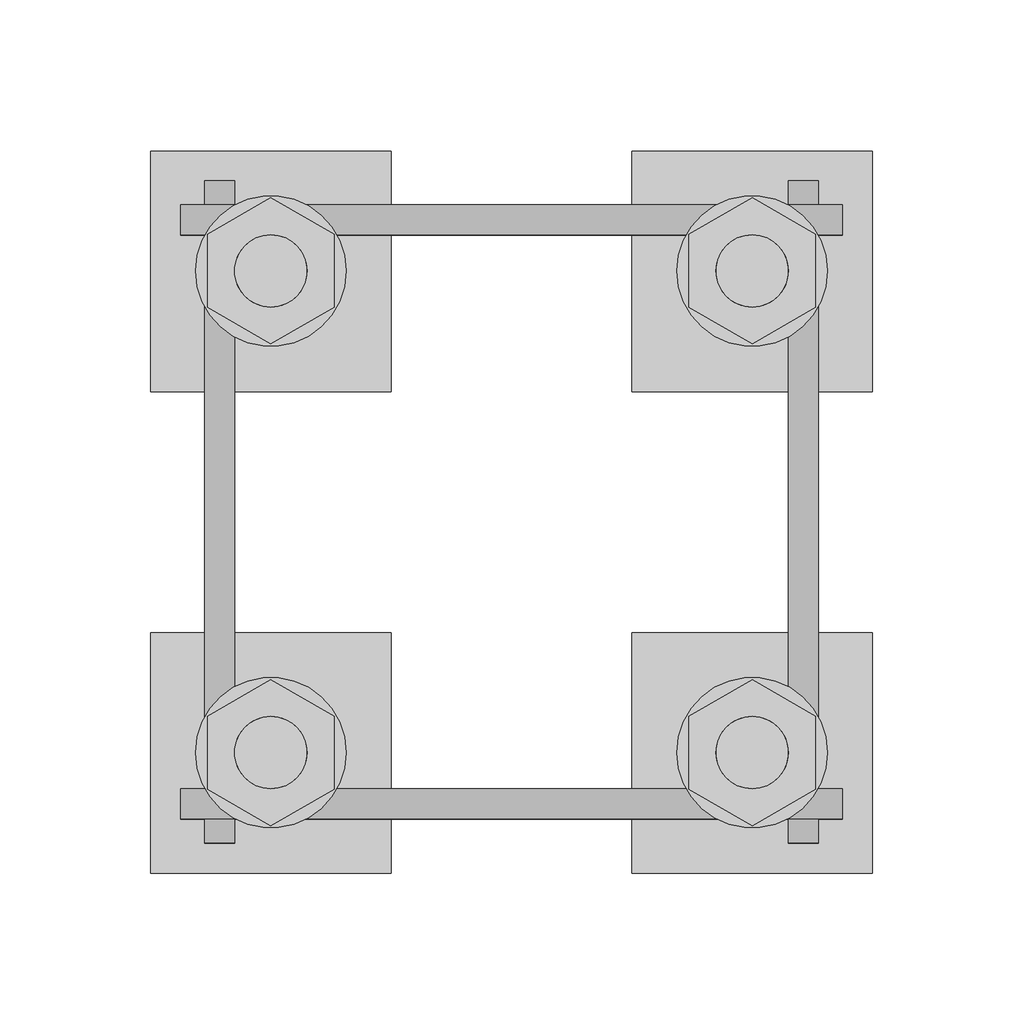
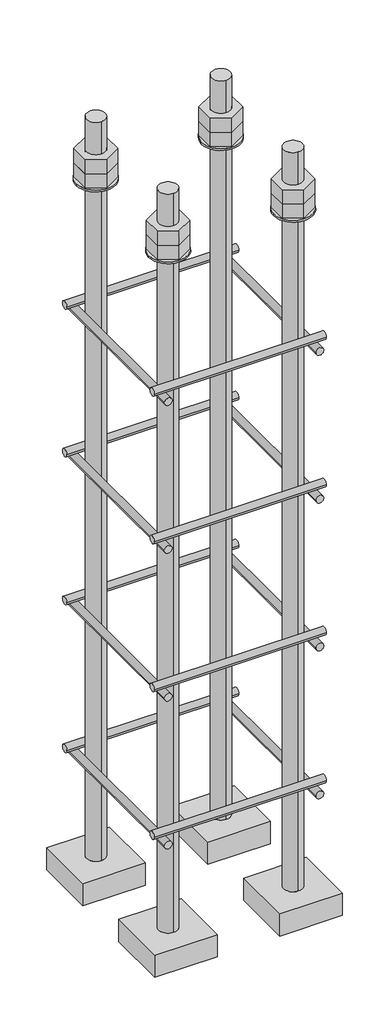
# One storey, part 19 of 66: 1 fastener.
"""IFC4 building model written with IfcOpenShell, lengths in millimetres."""

from ifc_helpers import new_model, si_unit, point, frame, frame_2d, origin, place, context, project, spatial, polyline, circle_curve, trimmed, segment, composite_curve, outline, extrude, element, save
from ifc_brep_helpers import plane_surface, cylinder_surface, advanced_brep

model = new_model("IFC4")

# Units and contexts
model_context = context("Model", 3, world=origin())
ifc_project = project(units=[si_unit("LENGTHUNIT", "METRE", prefix="MILLI")], contexts=[model_context])

# Site, building, storey
site = spatial("IfcSite", under=ifc_project)
building = spatial("IfcBuilding", under=site)
storey = spatial("IfcBuildingStorey", under=building, Elevation=9070.0)

# Fastener
placement = place(None, origin())
element("IfcFastener", 1, ObjectType="AU1 : AU-01", at=placement, inside=storey, context=model_context, shape_type="SolidModel", body=[
    extrude(outline(composite_curve([segment(trimmed(circle_curve(frame_2d((14703.0, 8795.0)), 5.0), [point((14698.0, 8795.0))], [point((14708.0, 8795.0))], False, "CARTESIAN"), True, "CONTINUOUS"), segment(trimmed(circle_curve(frame_2d((14703.0, 8795.0)), 5.0), [point((14708.0, 8795.0))], [point((14698.0, 8795.0))], False, "CARTESIAN"), True, "CONTINUOUS")], self_intersect=False)), frame((38740.0, 0.0, 0.0), z_axis=(1.0, 0.0, 0.0), x_axis=(0.0, 1.0, 0.0)), (0.0, 0.0, 1.0), 220.0),
    extrude(outline(composite_curve([segment(trimmed(circle_curve(frame_2d((14897.0, 8795.0)), 5.0), [point((14902.0, 8795.0))], [point((14892.0, 8795.0))], False, "CARTESIAN"), True, "CONTINUOUS"), segment(trimmed(circle_curve(frame_2d((14897.0, 8795.0)), 5.0), [point((14892.0, 8795.0))], [point((14902.0, 8795.0))], False, "CARTESIAN"), True, "CONTINUOUS")], self_intersect=False)), frame((38740.0, 0.0, 0.0), z_axis=(1.0, 0.0, 0.0), x_axis=(0.0, 1.0, 0.0)), (0.0, 0.0, 1.0), 220.0),
    extrude(outline(composite_curve([segment(trimmed(circle_curve(frame_2d((8785.0, 38753.0)), 5.0), [point((8785.0, 38748.0))], [point((8785.0, 38758.0))], False, "CARTESIAN"), True, "CONTINUOUS"), segment(trimmed(circle_curve(frame_2d((8785.0, 38753.0)), 5.0), [point((8785.0, 38758.0))], [point((8785.0, 38748.0))], False, "CARTESIAN"), True, "CONTINUOUS")], self_intersect=False)), frame((0.0, 14690.0, 0.0), z_axis=(0.0, 1.0, 0.0), x_axis=(0.0, 0.0, 1.0)), (0.0, 0.0, 1.0), 220.0),
    extrude(outline(composite_curve([segment(trimmed(circle_curve(frame_2d((8785.0, 38947.0)), 5.0), [point((8785.0, 38952.0))], [point((8785.0, 38942.0))], False, "CARTESIAN"), True, "CONTINUOUS"), segment(trimmed(circle_curve(frame_2d((8785.0, 38947.0)), 5.0), [point((8785.0, 38942.0))], [point((8785.0, 38952.0))], False, "CARTESIAN"), True, "CONTINUOUS")], self_intersect=False)), frame((0.0, 14690.0, 0.0), z_axis=(0.0, 1.0, 0.0), x_axis=(0.0, 0.0, 1.0)), (0.0, 0.0, 1.0), 220.0),
    extrude(outline(composite_curve([segment(trimmed(circle_curve(frame_2d((14703.0, 8995.0)), 5.0), [point((14698.0, 8995.0))], [point((14708.0, 8995.0))], False, "CARTESIAN"), True, "CONTINUOUS"), segment(trimmed(circle_curve(frame_2d((14703.0, 8995.0)), 5.0), [point((14708.0, 8995.0))], [point((14698.0, 8995.0))], False, "CARTESIAN"), True, "CONTINUOUS")], self_intersect=False)), frame((38740.0, 0.0, 0.0), z_axis=(1.0, 0.0, 0.0), x_axis=(0.0, 1.0, 0.0)), (0.0, 0.0, 1.0), 220.0),
    extrude(outline(composite_curve([segment(trimmed(circle_curve(frame_2d((14897.0, 8995.0)), 5.0), [point((14902.0, 8995.0))], [point((14892.0, 8995.0))], False, "CARTESIAN"), True, "CONTINUOUS"), segment(trimmed(circle_curve(frame_2d((14897.0, 8995.0)), 5.0), [point((14892.0, 8995.0))], [point((14902.0, 8995.0))], False, "CARTESIAN"), True, "CONTINUOUS")], self_intersect=False)), frame((38740.0, 0.0, 0.0), z_axis=(1.0, 0.0, 0.0), x_axis=(0.0, 1.0, 0.0)), (0.0, 0.0, 1.0), 220.0),
    extrude(outline(composite_curve([segment(trimmed(circle_curve(frame_2d((8985.0, 38753.0)), 5.0), [point((8985.0, 38748.0))], [point((8985.0, 38758.0))], False, "CARTESIAN"), True, "CONTINUOUS"), segment(trimmed(circle_curve(frame_2d((8985.0, 38753.0)), 5.0), [point((8985.0, 38758.0))], [point((8985.0, 38748.0))], False, "CARTESIAN"), True, "CONTINUOUS")], self_intersect=False)), frame((0.0, 14690.0, 0.0), z_axis=(0.0, 1.0, 0.0), x_axis=(0.0, 0.0, 1.0)), (0.0, 0.0, 1.0), 220.0),
    extrude(outline(composite_curve([segment(trimmed(circle_curve(frame_2d((8985.0, 38947.0)), 5.0), [point((8985.0, 38952.0))], [point((8985.0, 38942.0))], False, "CARTESIAN"), True, "CONTINUOUS"), segment(trimmed(circle_curve(frame_2d((8985.0, 38947.0)), 5.0), [point((8985.0, 38942.0))], [point((8985.0, 38952.0))], False, "CARTESIAN"), True, "CONTINUOUS")], self_intersect=False)), frame((0.0, 14690.0, 0.0), z_axis=(0.0, 1.0, 0.0), x_axis=(0.0, 0.0, 1.0)), (0.0, 0.0, 1.0), 220.0),
    extrude(outline(composite_curve([segment(trimmed(circle_curve(frame_2d((14703.0, 9195.0)), 5.0), [point((14698.0, 9195.0))], [point((14708.0, 9195.0))], False, "CARTESIAN"), True, "CONTINUOUS"), segment(trimmed(circle_curve(frame_2d((14703.0, 9195.0)), 5.0), [point((14708.0, 9195.0))], [point((14698.0, 9195.0))], False, "CARTESIAN"), True, "CONTINUOUS")], self_intersect=False)), frame((38740.0, 0.0, 0.0), z_axis=(1.0, 0.0, 0.0), x_axis=(0.0, 1.0, 0.0)), (0.0, 0.0, 1.0), 220.0),
    extrude(outline(composite_curve([segment(trimmed(circle_curve(frame_2d((14897.0, 9195.0)), 5.0), [point((14902.0, 9195.0))], [point((14892.0, 9195.0))], False, "CARTESIAN"), True, "CONTINUOUS"), segment(trimmed(circle_curve(frame_2d((14897.0, 9195.0)), 5.0), [point((14892.0, 9195.0))], [point((14902.0, 9195.0))], False, "CARTESIAN"), True, "CONTINUOUS")], self_intersect=False)), frame((38740.0, 0.0, 0.0), z_axis=(1.0, 0.0, 0.0), x_axis=(0.0, 1.0, 0.0)), (0.0, 0.0, 1.0), 220.0),
    extrude(outline(composite_curve([segment(trimmed(circle_curve(frame_2d((9185.0, 38753.0)), 5.0), [point((9185.0, 38748.0))], [point((9185.0, 38758.0))], False, "CARTESIAN"), True, "CONTINUOUS"), segment(trimmed(circle_curve(frame_2d((9185.0, 38753.0)), 5.0), [point((9185.0, 38758.0))], [point((9185.0, 38748.0))], False, "CARTESIAN"), True, "CONTINUOUS")], self_intersect=False)), frame((0.0, 14690.0, 0.0), z_axis=(0.0, 1.0, 0.0), x_axis=(0.0, 0.0, 1.0)), (0.0, 0.0, 1.0), 220.0),
    extrude(outline(composite_curve([segment(trimmed(circle_curve(frame_2d((9185.0, 38947.0)), 5.0), [point((9185.0, 38952.0))], [point((9185.0, 38942.0))], False, "CARTESIAN"), True, "CONTINUOUS"), segment(trimmed(circle_curve(frame_2d((9185.0, 38947.0)), 5.0), [point((9185.0, 38942.0))], [point((9185.0, 38952.0))], False, "CARTESIAN"), True, "CONTINUOUS")], self_intersect=False)), frame((0.0, 14690.0, 0.0), z_axis=(0.0, 1.0, 0.0), x_axis=(0.0, 0.0, 1.0)), (0.0, 0.0, 1.0), 220.0),
    extrude(outline(composite_curve([segment(trimmed(circle_curve(frame_2d((14703.0, 9395.0)), 5.0), [point((14698.0, 9395.0))], [point((14708.0, 9395.0))], False, "CARTESIAN"), True, "CONTINUOUS"), segment(trimmed(circle_curve(frame_2d((14703.0, 9395.0)), 5.0), [point((14708.0, 9395.0))], [point((14698.0, 9395.0))], False, "CARTESIAN"), True, "CONTINUOUS")], self_intersect=False)), frame((38740.0, 0.0, 0.0), z_axis=(1.0, 0.0, 0.0), x_axis=(0.0, 1.0, 0.0)), (0.0, 0.0, 1.0), 220.0),
    extrude(outline(composite_curve([segment(trimmed(circle_curve(frame_2d((14897.0, 9395.0)), 5.0), [point((14902.0, 9395.0))], [point((14892.0, 9395.0))], False, "CARTESIAN"), True, "CONTINUOUS"), segment(trimmed(circle_curve(frame_2d((14897.0, 9395.0)), 5.0), [point((14892.0, 9395.0))], [point((14902.0, 9395.0))], False, "CARTESIAN"), True, "CONTINUOUS")], self_intersect=False)), frame((38740.0, 0.0, 0.0), z_axis=(1.0, 0.0, 0.0), x_axis=(0.0, 1.0, 0.0)), (0.0, 0.0, 1.0), 220.0),
    extrude(outline(composite_curve([segment(trimmed(circle_curve(frame_2d((9385.0, 38753.0)), 5.0), [point((9385.0, 38748.0))], [point((9385.0, 38758.0))], False, "CARTESIAN"), True, "CONTINUOUS"), segment(trimmed(circle_curve(frame_2d((9385.0, 38753.0)), 5.0), [point((9385.0, 38758.0))], [point((9385.0, 38748.0))], False, "CARTESIAN"), True, "CONTINUOUS")], self_intersect=False)), frame((0.0, 14690.0, 0.0), z_axis=(0.0, 1.0, 0.0), x_axis=(0.0, 0.0, 1.0)), (0.0, 0.0, 1.0), 220.0),
    extrude(outline(composite_curve([segment(trimmed(circle_curve(frame_2d((9385.0, 38947.0)), 5.0), [point((9385.0, 38952.0))], [point((9385.0, 38942.0))], False, "CARTESIAN"), True, "CONTINUOUS"), segment(trimmed(circle_curve(frame_2d((9385.0, 38947.0)), 5.0), [point((9385.0, 38942.0))], [point((9385.0, 38952.0))], False, "CARTESIAN"), True, "CONTINUOUS")], self_intersect=False)), frame((0.0, 14690.0, 0.0), z_axis=(0.0, 1.0, 0.0), x_axis=(0.0, 0.0, 1.0)), (0.0, 0.0, 1.0), 220.0),
    advanced_brep(
    [(38810.0, 14920.0, 8650.0), (38730.0, 14920.0, 8650.0), (38730.0, 14840.0, 8650.0), (38810.0, 14840.0, 8650.0), (38770.0, 14868.0, 8650.0), (38770.0, 14892.0, 8650.0), (38810.0, 14920.0, 8620.0), (38810.0, 14840.0, 8620.0), (38730.0, 14840.0, 8620.0), (38730.0, 14920.0, 8620.0), (38770.0, 14892.0, 9650.0), (38770.0, 14868.0, 9650.0)],
    [
        (0, 1),
        (1, 2),
        (2, 3),
        (3, 0),
        (4, 5, circle_curve(frame((38770.0, 14880.0, 8650.0), z_axis=(0.0, 0.0, -1.0), x_axis=(0.0, -1.0, 0.0)), 12.0)),
        (5, 4, circle_curve(frame((38770.0, 14880.0, 8650.0), z_axis=(0.0, 0.0, -1.0), x_axis=(0.0, -1.0, 0.0)), 12.0)),
        (6, 7),
        (7, 8),
        (8, 9),
        (9, 6),
        (0, 6),
        (9, 1),
        (8, 2),
        (7, 3),
        (10, 11, circle_curve(frame((38770.0, 14880.0, 9650.0), z_axis=(0.0, 0.0, 1.0), x_axis=(0.0, -1.0, 0.0)), 12.0)),
        (11, 10, circle_curve(frame((38770.0, 14880.0, 9650.0), z_axis=(0.0, 0.0, 1.0), x_axis=(0.0, -1.0, 0.0)), 12.0)),
        (10, 5),
        (4, 11),
    ],
    [
        plane_surface(frame((38730.0, 14920.0, 8650.0), z_axis=(0.0, 0.0, 1.0), x_axis=(-1.0, 0.0, 0.0))),
        plane_surface(frame((38730.0, 14920.0, 8620.0), z_axis=(0.0, 0.0, -1.0), x_axis=(1.0, 0.0, 0.0))),
        plane_surface(frame((38810.0, 14920.0, 8650.0), z_axis=(0.0, 1.0, 0.0), x_axis=(0.0, 0.0, -1.0))),
        plane_surface(frame((38730.0, 14920.0, 8650.0), z_axis=(-1.0, 0.0, 0.0), x_axis=(0.0, 0.0, -1.0))),
        plane_surface(frame((38730.0, 14840.0, 8650.0), z_axis=(0.0, -1.0, 0.0), x_axis=(0.0, 0.0, -1.0))),
        plane_surface(frame((38810.0, 14840.0, 8650.0), z_axis=(1.0, 0.0, 0.0), x_axis=(0.0, 0.0, -1.0))),
        plane_surface(frame((38770.0, 14880.0, 9650.0), z_axis=(0.0, 0.0, 1.0), x_axis=(0.0, -1.0, 0.0))),
        cylinder_surface(frame((38770.0, 14880.0, 9650.0), z_axis=(0.0, 0.0, 1.0), x_axis=(0.0, -1.0, 0.0)), 12.0),
    ],
    [
        (0, [[1, 2, 3, 4], [5, 6]]),
        (1, [[7, 8, 9, 10]]),
        (2, [[-1, 11, -10, 12]]),
        (3, [[-2, -12, -9, 13]]),
        (4, [[-3, -13, -8, 14]]),
        (5, [[-4, -14, -7, -11]]),
        (6, [[15, 16]]),
        (7, [[-15, 17, -5, 18]]),
        (7, [[-16, -18, -6, -17]]),
    ],
),
    extrude(outline(composite_curve([segment(trimmed(circle_curve(frame_2d((38770.0, 14880.0)), 25.0), [point((38795.0, 14880.0))], [point((38745.0, 14880.0))], False, "CARTESIAN"), True, "CONTINUOUS"), segment(trimmed(circle_curve(frame_2d((38770.0, 14880.0)), 25.0), [point((38745.0, 14880.0))], [point((38795.0, 14880.0))], False, "CARTESIAN"), True, "CONTINUOUS")], self_intersect=False), holes=[composite_curve([segment(trimmed(circle_curve(frame_2d((38770.0, 14880.0)), 12.0), [point((38782.0, 14880.0))], [point((38758.0, 14880.0))], True, "CARTESIAN"), True, "CONTINUOUS"), segment(trimmed(circle_curve(frame_2d((38770.0, 14880.0)), 12.0), [point((38758.0, 14880.0))], [point((38782.0, 14880.0))], True, "CARTESIAN"), True, "CONTINUOUS")], self_intersect=False)]), frame((0.0, 0.0, 9565.0), z_axis=(0.0, 0.0, 1.0), x_axis=(1.0, 0.0, 0.0)), (0.0, 0.0, 1.0), 2.5),
    extrude(outline(polyline([(38770.0, 14904.2487113), (38791.0, 14892.1243557), (38791.0, 14867.8756443), (38770.0, 14855.7512887), (38749.0, 14867.8756443), (38749.0, 14892.1243557), (38770.0, 14904.2487113)]), holes=[composite_curve([segment(trimmed(circle_curve(frame_2d((38770.0, 14880.0)), 12.0), [point((38782.0, 14880.0))], [point((38758.0, 14880.0))], True, "CARTESIAN"), True, "CONTINUOUS"), segment(trimmed(circle_curve(frame_2d((38770.0, 14880.0)), 12.0), [point((38758.0, 14880.0))], [point((38782.0, 14880.0))], True, "CARTESIAN"), True, "CONTINUOUS")], self_intersect=False)]), frame((0.0, 0.0, 9587.0), z_axis=(0.0, 0.0, 1.0), x_axis=(1.0, 0.0, 0.0)), (0.0, 0.0, 1.0), 19.5),
    extrude(outline(polyline([(38770.0, 14904.2487113), (38791.0, 14892.1243557), (38791.0, 14867.8756443), (38770.0, 14855.7512887), (38749.0, 14867.8756443), (38749.0, 14892.1243557), (38770.0, 14904.2487113)]), holes=[composite_curve([segment(trimmed(circle_curve(frame_2d((38770.0, 14880.0)), 12.0), [point((38782.0, 14880.0))], [point((38758.0, 14880.0))], True, "CARTESIAN"), True, "CONTINUOUS"), segment(trimmed(circle_curve(frame_2d((38770.0, 14880.0)), 12.0), [point((38758.0, 14880.0))], [point((38782.0, 14880.0))], True, "CARTESIAN"), True, "CONTINUOUS")], self_intersect=False)]), frame((0.0, 0.0, 9567.5), z_axis=(0.0, 0.0, 1.0), x_axis=(1.0, 0.0, 0.0)), (0.0, 0.0, 1.0), 19.5),
    advanced_brep(
    [(38890.0, 14840.0, 8650.0), (38970.0, 14840.0, 8650.0), (38970.0, 14920.0, 8650.0), (38890.0, 14920.0, 8650.0), (38930.0, 14892.0, 8650.0), (38930.0, 14868.0, 8650.0), (38890.0, 14840.0, 8620.0), (38890.0, 14920.0, 8620.0), (38970.0, 14920.0, 8620.0), (38970.0, 14840.0, 8620.0), (38930.0, 14868.0, 9650.0), (38930.0, 14892.0, 9650.0)],
    [
        (0, 1),
        (1, 2),
        (2, 3),
        (3, 0),
        (4, 5, circle_curve(frame((38930.0, 14880.0, 8650.0), z_axis=(0.0, 0.0, -1.0), x_axis=(0.0, 1.0, 0.0)), 12.0)),
        (5, 4, circle_curve(frame((38930.0, 14880.0, 8650.0), z_axis=(0.0, 0.0, -1.0), x_axis=(0.0, 1.0, 0.0)), 12.0)),
        (6, 7),
        (7, 8),
        (8, 9),
        (9, 6),
        (0, 6),
        (9, 1),
        (8, 2),
        (7, 3),
        (10, 11, circle_curve(frame((38930.0, 14880.0, 9650.0), z_axis=(0.0, 0.0, 1.0), x_axis=(0.0, 1.0, 0.0)), 12.0)),
        (11, 10, circle_curve(frame((38930.0, 14880.0, 9650.0), z_axis=(0.0, 0.0, 1.0), x_axis=(0.0, 1.0, 0.0)), 12.0)),
        (10, 5),
        (4, 11),
    ],
    [
        plane_surface(frame((38970.0, 14840.0, 8650.0), z_axis=(0.0, 0.0, 1.0), x_axis=(1.0, 0.0, 0.0))),
        plane_surface(frame((38970.0, 14840.0, 8620.0), z_axis=(0.0, 0.0, -1.0), x_axis=(-1.0, 0.0, 0.0))),
        plane_surface(frame((38890.0, 14840.0, 8650.0), z_axis=(0.0, -1.0, 0.0), x_axis=(0.0, 0.0, -1.0))),
        plane_surface(frame((38970.0, 14840.0, 8650.0), z_axis=(1.0, 0.0, 0.0), x_axis=(0.0, 0.0, -1.0))),
        plane_surface(frame((38970.0, 14920.0, 8650.0), z_axis=(0.0, 1.0, 0.0), x_axis=(0.0, 0.0, -1.0))),
        plane_surface(frame((38890.0, 14920.0, 8650.0), z_axis=(-1.0, 0.0, 0.0), x_axis=(0.0, 0.0, -1.0))),
        plane_surface(frame((38930.0, 14880.0, 9650.0), z_axis=(0.0, 0.0, 1.0), x_axis=(0.0, 1.0, 0.0))),
        cylinder_surface(frame((38930.0, 14880.0, 9650.0), z_axis=(0.0, 0.0, 1.0), x_axis=(0.0, 1.0, 0.0)), 12.0),
    ],
    [
        (0, [[1, 2, 3, 4], [5, 6]]),
        (1, [[7, 8, 9, 10]]),
        (2, [[-1, 11, -10, 12]]),
        (3, [[-2, -12, -9, 13]]),
        (4, [[-3, -13, -8, 14]]),
        (5, [[-4, -14, -7, -11]]),
        (6, [[15, 16]]),
        (7, [[-15, 17, -5, 18]]),
        (7, [[-16, -18, -6, -17]]),
    ],
),
    extrude(outline(composite_curve([segment(trimmed(circle_curve(frame_2d((38930.0, 14880.0)), 25.0), [point((38905.0, 14880.0))], [point((38955.0, 14880.0))], False, "CARTESIAN"), True, "CONTINUOUS"), segment(trimmed(circle_curve(frame_2d((38930.0, 14880.0)), 25.0), [point((38955.0, 14880.0))], [point((38905.0, 14880.0))], False, "CARTESIAN"), True, "CONTINUOUS")], self_intersect=False), holes=[composite_curve([segment(trimmed(circle_curve(frame_2d((38930.0, 14880.0)), 12.0), [point((38918.0, 14880.0))], [point((38942.0, 14880.0))], True, "CARTESIAN"), True, "CONTINUOUS"), segment(trimmed(circle_curve(frame_2d((38930.0, 14880.0)), 12.0), [point((38942.0, 14880.0))], [point((38918.0, 14880.0))], True, "CARTESIAN"), True, "CONTINUOUS")], self_intersect=False)]), frame((0.0, 0.0, 9565.0), z_axis=(0.0, 0.0, 1.0), x_axis=(1.0, 0.0, 0.0)), (0.0, 0.0, 1.0), 2.5),
    extrude(outline(polyline([(38930.0, 14855.7512887), (38909.0, 14867.8756443), (38909.0, 14892.1243557), (38930.0, 14904.2487113), (38951.0, 14892.1243557), (38951.0, 14867.8756443), (38930.0, 14855.7512887)]), holes=[composite_curve([segment(trimmed(circle_curve(frame_2d((38930.0, 14880.0)), 12.0), [point((38918.0, 14880.0))], [point((38942.0, 14880.0))], True, "CARTESIAN"), True, "CONTINUOUS"), segment(trimmed(circle_curve(frame_2d((38930.0, 14880.0)), 12.0), [point((38942.0, 14880.0))], [point((38918.0, 14880.0))], True, "CARTESIAN"), True, "CONTINUOUS")], self_intersect=False)]), frame((0.0, 0.0, 9587.0), z_axis=(0.0, 0.0, 1.0), x_axis=(1.0, 0.0, 0.0)), (0.0, 0.0, 1.0), 19.5),
    extrude(outline(polyline([(38930.0, 14855.7512887), (38909.0, 14867.8756443), (38909.0, 14892.1243557), (38930.0, 14904.2487113), (38951.0, 14892.1243557), (38951.0, 14867.8756443), (38930.0, 14855.7512887)]), holes=[composite_curve([segment(trimmed(circle_curve(frame_2d((38930.0, 14880.0)), 12.0), [point((38918.0, 14880.0))], [point((38942.0, 14880.0))], True, "CARTESIAN"), True, "CONTINUOUS"), segment(trimmed(circle_curve(frame_2d((38930.0, 14880.0)), 12.0), [point((38942.0, 14880.0))], [point((38918.0, 14880.0))], True, "CARTESIAN"), True, "CONTINUOUS")], self_intersect=False)]), frame((0.0, 0.0, 9567.5), z_axis=(0.0, 0.0, 1.0), x_axis=(1.0, 0.0, 0.0)), (0.0, 0.0, 1.0), 19.5),
    advanced_brep(
    [(38890.0, 14680.0, 8650.0), (38970.0, 14680.0, 8650.0), (38970.0, 14760.0, 8650.0), (38890.0, 14760.0, 8650.0), (38930.0, 14732.0, 8650.0), (38930.0, 14708.0, 8650.0), (38890.0, 14680.0, 8620.0), (38890.0, 14760.0, 8620.0), (38970.0, 14760.0, 8620.0), (38970.0, 14680.0, 8620.0), (38930.0, 14708.0, 9650.0), (38930.0, 14732.0, 9650.0)],
    [
        (0, 1),
        (1, 2),
        (2, 3),
        (3, 0),
        (4, 5, circle_curve(frame((38930.0, 14720.0, 8650.0), z_axis=(0.0, 0.0, -1.0), x_axis=(0.0, 1.0, 0.0)), 12.0)),
        (5, 4, circle_curve(frame((38930.0, 14720.0, 8650.0), z_axis=(0.0, 0.0, -1.0), x_axis=(0.0, 1.0, 0.0)), 12.0)),
        (6, 7),
        (7, 8),
        (8, 9),
        (9, 6),
        (0, 6),
        (9, 1),
        (8, 2),
        (7, 3),
        (10, 11, circle_curve(frame((38930.0, 14720.0, 9650.0), z_axis=(0.0, 0.0, 1.0), x_axis=(0.0, 1.0, 0.0)), 12.0)),
        (11, 10, circle_curve(frame((38930.0, 14720.0, 9650.0), z_axis=(0.0, 0.0, 1.0), x_axis=(0.0, 1.0, 0.0)), 12.0)),
        (10, 5),
        (4, 11),
    ],
    [
        plane_surface(frame((38970.0, 14680.0, 8650.0), z_axis=(0.0, 0.0, 1.0), x_axis=(1.0, 0.0, 0.0))),
        plane_surface(frame((38970.0, 14680.0, 8620.0), z_axis=(0.0, 0.0, -1.0), x_axis=(-1.0, 0.0, 0.0))),
        plane_surface(frame((38890.0, 14680.0, 8650.0), z_axis=(0.0, -1.0, 0.0), x_axis=(0.0, 0.0, -1.0))),
        plane_surface(frame((38970.0, 14680.0, 8650.0), z_axis=(1.0, 0.0, 0.0), x_axis=(0.0, 0.0, -1.0))),
        plane_surface(frame((38970.0, 14760.0, 8650.0), z_axis=(0.0, 1.0, 0.0), x_axis=(0.0, 0.0, -1.0))),
        plane_surface(frame((38890.0, 14760.0, 8650.0), z_axis=(-1.0, 0.0, 0.0), x_axis=(0.0, 0.0, -1.0))),
        plane_surface(frame((38930.0, 14720.0, 9650.0), z_axis=(0.0, 0.0, 1.0), x_axis=(0.0, 1.0, 0.0))),
        cylinder_surface(frame((38930.0, 14720.0, 9650.0), z_axis=(0.0, 0.0, 1.0), x_axis=(0.0, 1.0, 0.0)), 12.0),
    ],
    [
        (0, [[1, 2, 3, 4], [5, 6]]),
        (1, [[7, 8, 9, 10]]),
        (2, [[-1, 11, -10, 12]]),
        (3, [[-2, -12, -9, 13]]),
        (4, [[-3, -13, -8, 14]]),
        (5, [[-4, -14, -7, -11]]),
        (6, [[15, 16]]),
        (7, [[-15, 17, -5, 18]]),
        (7, [[-16, -18, -6, -17]]),
    ],
),
    extrude(outline(composite_curve([segment(trimmed(circle_curve(frame_2d((38930.0, 14720.0)), 25.0), [point((38905.0, 14720.0))], [point((38955.0, 14720.0))], False, "CARTESIAN"), True, "CONTINUOUS"), segment(trimmed(circle_curve(frame_2d((38930.0, 14720.0)), 25.0), [point((38955.0, 14720.0))], [point((38905.0, 14720.0))], False, "CARTESIAN"), True, "CONTINUOUS")], self_intersect=False), holes=[composite_curve([segment(trimmed(circle_curve(frame_2d((38930.0, 14720.0)), 12.0), [point((38918.0, 14720.0))], [point((38942.0, 14720.0))], True, "CARTESIAN"), True, "CONTINUOUS"), segment(trimmed(circle_curve(frame_2d((38930.0, 14720.0)), 12.0), [point((38942.0, 14720.0))], [point((38918.0, 14720.0))], True, "CARTESIAN"), True, "CONTINUOUS")], self_intersect=False)]), frame((0.0, 0.0, 9565.0), z_axis=(0.0, 0.0, 1.0), x_axis=(1.0, 0.0, 0.0)), (0.0, 0.0, 1.0), 2.5),
    extrude(outline(polyline([(38930.0, 14695.7512887), (38909.0, 14707.8756443), (38909.0, 14732.1243557), (38930.0, 14744.2487113), (38951.0, 14732.1243557), (38951.0, 14707.8756443), (38930.0, 14695.7512887)]), holes=[composite_curve([segment(trimmed(circle_curve(frame_2d((38930.0, 14720.0)), 12.0), [point((38918.0, 14720.0))], [point((38942.0, 14720.0))], True, "CARTESIAN"), True, "CONTINUOUS"), segment(trimmed(circle_curve(frame_2d((38930.0, 14720.0)), 12.0), [point((38942.0, 14720.0))], [point((38918.0, 14720.0))], True, "CARTESIAN"), True, "CONTINUOUS")], self_intersect=False)]), frame((0.0, 0.0, 9587.0), z_axis=(0.0, 0.0, 1.0), x_axis=(1.0, 0.0, 0.0)), (0.0, 0.0, 1.0), 19.5),
    extrude(outline(polyline([(38930.0, 14695.7512887), (38909.0, 14707.8756443), (38909.0, 14732.1243557), (38930.0, 14744.2487113), (38951.0, 14732.1243557), (38951.0, 14707.8756443), (38930.0, 14695.7512887)]), holes=[composite_curve([segment(trimmed(circle_curve(frame_2d((38930.0, 14720.0)), 12.0), [point((38918.0, 14720.0))], [point((38942.0, 14720.0))], True, "CARTESIAN"), True, "CONTINUOUS"), segment(trimmed(circle_curve(frame_2d((38930.0, 14720.0)), 12.0), [point((38942.0, 14720.0))], [point((38918.0, 14720.0))], True, "CARTESIAN"), True, "CONTINUOUS")], self_intersect=False)]), frame((0.0, 0.0, 9567.5), z_axis=(0.0, 0.0, 1.0), x_axis=(1.0, 0.0, 0.0)), (0.0, 0.0, 1.0), 19.5),
    advanced_brep(
    [(38810.0, 14760.0, 8650.0), (38730.0, 14760.0, 8650.0), (38730.0, 14680.0, 8650.0), (38810.0, 14680.0, 8650.0), (38770.0, 14708.0, 8650.0), (38770.0, 14732.0, 8650.0), (38810.0, 14760.0, 8620.0), (38810.0, 14680.0, 8620.0), (38730.0, 14680.0, 8620.0), (38730.0, 14760.0, 8620.0), (38770.0, 14732.0, 9650.0), (38770.0, 14708.0, 9650.0)],
    [
        (0, 1),
        (1, 2),
        (2, 3),
        (3, 0),
        (4, 5, circle_curve(frame((38770.0, 14720.0, 8650.0), z_axis=(0.0, 0.0, -1.0), x_axis=(0.0, -1.0, 0.0)), 12.0)),
        (5, 4, circle_curve(frame((38770.0, 14720.0, 8650.0), z_axis=(0.0, 0.0, -1.0), x_axis=(0.0, -1.0, 0.0)), 12.0)),
        (6, 7),
        (7, 8),
        (8, 9),
        (9, 6),
        (0, 6),
        (9, 1),
        (8, 2),
        (7, 3),
        (10, 11, circle_curve(frame((38770.0, 14720.0, 9650.0), z_axis=(0.0, 0.0, 1.0), x_axis=(0.0, -1.0, 0.0)), 12.0)),
        (11, 10, circle_curve(frame((38770.0, 14720.0, 9650.0), z_axis=(0.0, 0.0, 1.0), x_axis=(0.0, -1.0, 0.0)), 12.0)),
        (10, 5),
        (4, 11),
    ],
    [
        plane_surface(frame((38730.0, 14760.0, 8650.0), z_axis=(0.0, 0.0, 1.0), x_axis=(-1.0, 0.0, 0.0))),
        plane_surface(frame((38730.0, 14760.0, 8620.0), z_axis=(0.0, 0.0, -1.0), x_axis=(1.0, 0.0, 0.0))),
        plane_surface(frame((38810.0, 14760.0, 8650.0), z_axis=(0.0, 1.0, 0.0), x_axis=(0.0, 0.0, -1.0))),
        plane_surface(frame((38730.0, 14760.0, 8650.0), z_axis=(-1.0, 0.0, 0.0), x_axis=(0.0, 0.0, -1.0))),
        plane_surface(frame((38730.0, 14680.0, 8650.0), z_axis=(0.0, -1.0, 0.0), x_axis=(0.0, 0.0, -1.0))),
        plane_surface(frame((38810.0, 14680.0, 8650.0), z_axis=(1.0, 0.0, 0.0), x_axis=(0.0, 0.0, -1.0))),
        plane_surface(frame((38770.0, 14720.0, 9650.0), z_axis=(0.0, 0.0, 1.0), x_axis=(0.0, -1.0, 0.0))),
        cylinder_surface(frame((38770.0, 14720.0, 9650.0), z_axis=(0.0, 0.0, 1.0), x_axis=(0.0, -1.0, 0.0)), 12.0),
    ],
    [
        (0, [[1, 2, 3, 4], [5, 6]]),
        (1, [[7, 8, 9, 10]]),
        (2, [[-1, 11, -10, 12]]),
        (3, [[-2, -12, -9, 13]]),
        (4, [[-3, -13, -8, 14]]),
        (5, [[-4, -14, -7, -11]]),
        (6, [[15, 16]]),
        (7, [[-15, 17, -5, 18]]),
        (7, [[-16, -18, -6, -17]]),
    ],
),
    extrude(outline(composite_curve([segment(trimmed(circle_curve(frame_2d((38770.0, 14720.0)), 25.0), [point((38795.0, 14720.0))], [point((38745.0, 14720.0))], False, "CARTESIAN"), True, "CONTINUOUS"), segment(trimmed(circle_curve(frame_2d((38770.0, 14720.0)), 25.0), [point((38745.0, 14720.0))], [point((38795.0, 14720.0))], False, "CARTESIAN"), True, "CONTINUOUS")], self_intersect=False), holes=[composite_curve([segment(trimmed(circle_curve(frame_2d((38770.0, 14720.0)), 12.0), [point((38782.0, 14720.0))], [point((38758.0, 14720.0))], True, "CARTESIAN"), True, "CONTINUOUS"), segment(trimmed(circle_curve(frame_2d((38770.0, 14720.0)), 12.0), [point((38758.0, 14720.0))], [point((38782.0, 14720.0))], True, "CARTESIAN"), True, "CONTINUOUS")], self_intersect=False)]), frame((0.0, 0.0, 9565.0), z_axis=(0.0, 0.0, 1.0), x_axis=(1.0, 0.0, 0.0)), (0.0, 0.0, 1.0), 2.5),
    extrude(outline(polyline([(38770.0, 14744.2487113), (38791.0, 14732.1243557), (38791.0, 14707.8756443), (38770.0, 14695.7512887), (38749.0, 14707.8756443), (38749.0, 14732.1243557), (38770.0, 14744.2487113)]), holes=[composite_curve([segment(trimmed(circle_curve(frame_2d((38770.0, 14720.0)), 12.0), [point((38782.0, 14720.0))], [point((38758.0, 14720.0))], True, "CARTESIAN"), True, "CONTINUOUS"), segment(trimmed(circle_curve(frame_2d((38770.0, 14720.0)), 12.0), [point((38758.0, 14720.0))], [point((38782.0, 14720.0))], True, "CARTESIAN"), True, "CONTINUOUS")], self_intersect=False)]), frame((0.0, 0.0, 9587.0), z_axis=(0.0, 0.0, 1.0), x_axis=(1.0, 0.0, 0.0)), (0.0, 0.0, 1.0), 19.5),
    extrude(outline(polyline([(38770.0, 14744.2487113), (38791.0, 14732.1243557), (38791.0, 14707.8756443), (38770.0, 14695.7512887), (38749.0, 14707.8756443), (38749.0, 14732.1243557), (38770.0, 14744.2487113)]), holes=[composite_curve([segment(trimmed(circle_curve(frame_2d((38770.0, 14720.0)), 12.0), [point((38782.0, 14720.0))], [point((38758.0, 14720.0))], True, "CARTESIAN"), True, "CONTINUOUS"), segment(trimmed(circle_curve(frame_2d((38770.0, 14720.0)), 12.0), [point((38758.0, 14720.0))], [point((38782.0, 14720.0))], True, "CARTESIAN"), True, "CONTINUOUS")], self_intersect=False)]), frame((0.0, 0.0, 9567.5), z_axis=(0.0, 0.0, 1.0), x_axis=(1.0, 0.0, 0.0)), (0.0, 0.0, 1.0), 19.5),
])

save(model, "model.ifc")
